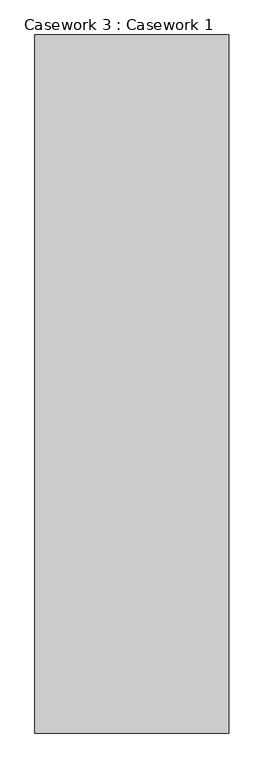
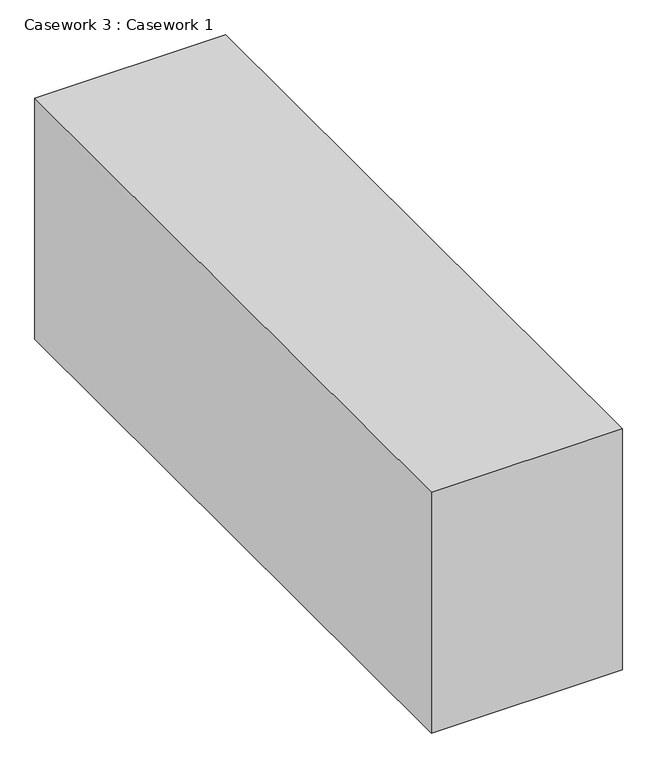
"""IFC4 building model written with IfcOpenShell, lengths in millimetres: furniture geometry, Casework 3 : Casework 1."""

from ifc_helpers import new_model, si_unit, frame, origin, place, context, project, spatial, polyline, outline, extrude, source, transform, mapped, element, save


def casework_3_casework_1_ae05b3fd(model_context):
    return source(origin(), model_context, "Body", "SweptSolid", [
        extrude(outline(polyline([(92128.0563858, -27400.835481), (92128.0563858, -25242.4801084), (92728.0563858, -25242.4801084), (92728.0563858, -27400.835481), (92128.0563858, -27400.835481)])), frame((0.0, 0.0, 68000.0), z_axis=(0.0, 0.0, 1.0), x_axis=(1.0, 0.0, 0.0)), (0.0, 0.0, 1.0), 800.0),
    ])


if __name__ == "__main__":
    model = new_model("IFC4")
    model_context = context("Model", 3, world=origin())
    ifc_project = project(units=[si_unit("LENGTHUNIT", "METRE", prefix="MILLI")], contexts=[model_context])
    site = spatial("IfcSite", under=ifc_project)
    building = spatial("IfcBuilding", under=site)
    placement = place(None, origin())
    casework_3_casework_1_shape = casework_3_casework_1_ae05b3fd(model_context)
    element("IfcFurniture", 1, ObjectType="Casework 3 : Casework 1", at=placement, inside=building, context=model_context, shape_type="MappedRepresentation", body=[
        mapped(casework_3_casework_1_shape, transform((0.0, 0.0, 0.0), x_axis=(1.0, 0.0, 0.0), y_axis=(0.0, 1.0, 0.0), z_axis=(0.0, 0.0, 1.0))),
    ])
    save(model, "model.ifc")
